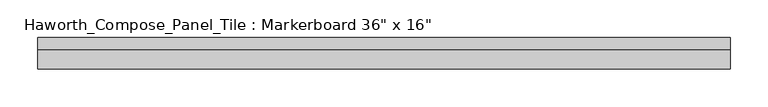
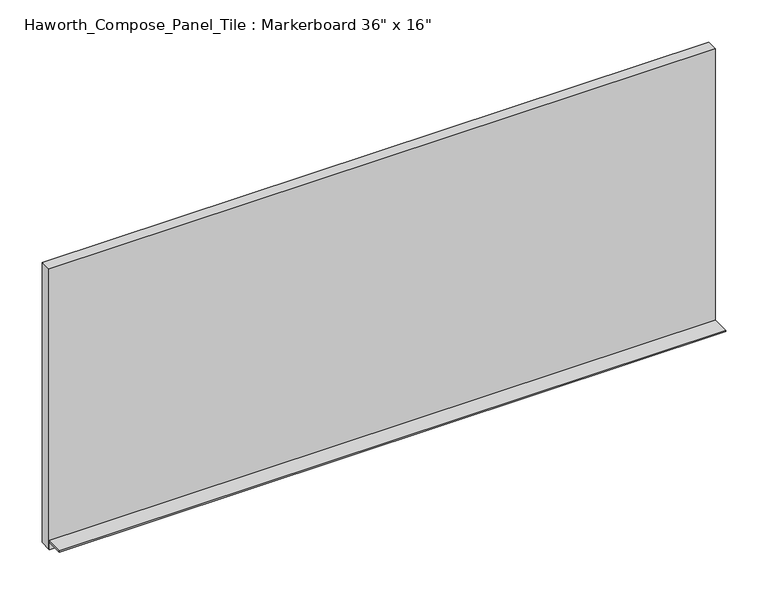
"""IFC4 building model written with IfcOpenShell, lengths in millimetres: furniture geometry."""

from ifc_helpers import new_model, si_unit, frame, origin, place, context, project, spatial, polyline, outline, extrude, source, transform, mapped, element, save


def furniture_7ea006e8(model_context):
    return source(origin(), model_context, "Body", "SweptSolid", [
        extrude(outline(polyline([(459.6402902, -28.8968594), (-454.7597098, -28.8968594), (-454.7597098, -13.0218594), (459.6402902, -13.0218594), (459.6402902, -28.8968594)])), frame((0.0, 0.0, 1066.8), z_axis=(0.0, 0.0, 1.0), x_axis=(1.0, 0.0, 0.0)), (0.0, 0.0, 1.0), 406.4),
        extrude(outline(polyline([(-28.8968594, 1079.5), (-28.8968594, 1066.8), (-30.4843594, 1066.8), (-30.4843594, 1077.9125), (-54.2968594, 1077.9125), (-54.2968594, 1079.5), (-28.8968594, 1079.5)])), frame((-454.7597098, 0.0, 0.0), z_axis=(1.0, 0.0, 0.0), x_axis=(0.0, 1.0, 0.0)), (0.0, 0.0, 1.0), 914.4),
    ])


if __name__ == "__main__":
    model = new_model("IFC4")
    model_context = context("Model", 3, world=origin())
    ifc_project = project(units=[si_unit("LENGTHUNIT", "METRE", prefix="MILLI")], contexts=[model_context])
    site = spatial("IfcSite", under=ifc_project)
    building = spatial("IfcBuilding", under=site)
    placement = place(None, origin())
    furniture_shape = furniture_7ea006e8(model_context)
    element("IfcFurniture", 1, ObjectType="Haworth_Compose_Panel_Tile : Markerboard 36\" x 16\"", at=placement, inside=building, context=model_context, shape_type="MappedRepresentation", body=[
        mapped(furniture_shape, transform((0.0, 0.0, 0.0), x_axis=(1.0, 0.0, 0.0), y_axis=(0.0, 1.0, 0.0), z_axis=(0.0, 0.0, 1.0))),
    ])
    save(model, "model.ifc")
